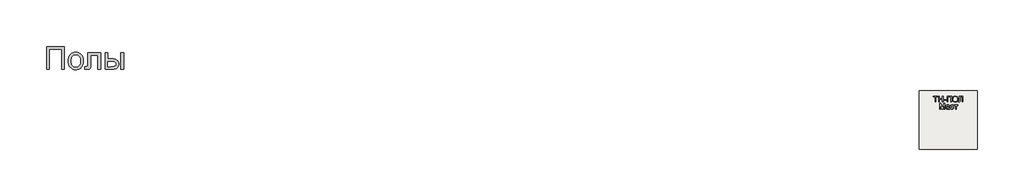
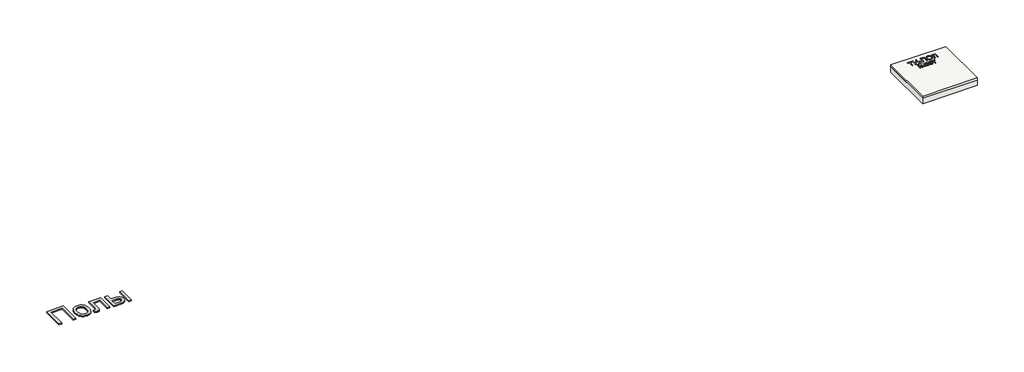
# One storey: 2 proxies, 2 slabs.
"""IFC4 building model written with IfcOpenShell, lengths in millimetres."""

from ifc_helpers import new_model, si_unit, frame, origin, origin_with_axes, place, context, project, spatial, polyline, outline, extrude, element, save

model = new_model("IFC4")

# Units and contexts
model_context = context("Model", 3, world=origin())
ifc_project = project(units=[si_unit("LENGTHUNIT", "METRE", prefix="MILLI")], contexts=[model_context])

# Site, building, storey
site = spatial("IfcSite", under=ifc_project)
building = spatial("IfcBuilding", under=site)
storey = spatial("IfcBuildingStorey", under=building, Elevation=0.0)

# Proxies
placement = place(None, origin())
element("IfcBuildingElementProxy", 1, Name="Generic Models", at=placement, inside=storey, context=model_context, shape_type="SweptSolid", body=[
    extrude(outline(polyline([(-2221.4493901, -14787.7817103), (-1609.328178, -14787.7817103), (-1609.328178, -15571.2968619), (-1707.2675719, -15571.2968619), (-1707.2675719, -14885.7211043), (-2123.5099961, -14885.7211043), (-2123.5099961, -15571.2968619), (-2221.4493901, -15571.2968619), (-2221.4493901, -14787.7817103)])), origin_with_axes(), (0.0, 0.0, 1.0), 40.0),
    extrude(outline(polyline([(-1474.6615113, -15283.5998922), (-1469.3652282, -15209.0813079), (-1462.7448742, -15175.6866287), (-1453.4763787, -15144.8683581), (-1441.5597416, -15116.6264961), (-1426.994963, -15090.9610427), (-1409.7820428, -15067.871998), (-1389.920981, -15047.3593619), (-1352.5959336, -15019.491109), (-1311.3973068, -14999.5852141), (-1266.3251003, -14987.6416772), (-1217.3793143, -14983.6604982), (-1163.3464663, -14988.5084504), (-1114.4903465, -15003.0523069), (-1070.810955, -15027.2920678), (-1032.3082916, -15061.2277331), (-1000.8832798, -15103.7115754), (-978.4368427, -15153.5958675), (-964.9689805, -15210.8806095), (-960.4796931, -15275.5658013), (-962.4643049, -15327.9906355), (-968.4181401, -15374.5094566), (-978.3411988, -15415.1222643), (-992.233481, -15449.8290588), (-1009.921632, -15479.8074561), (-1031.2322973, -15506.2350721), (-1056.1654767, -15529.1119068), (-1084.7211704, -15548.4379603), (-1115.7875175, -15563.7947904), (-1148.2526571, -15574.7639547), (-1182.1165894, -15581.3454532), (-1217.3793143, -15583.5392861), (-1272.2012248, -15578.7092672), (-1321.5116533, -15564.2192103), (-1365.3105998, -15540.0691156), (-1403.5980643, -15506.2589831), (-1434.6883224, -15463.3626763), (-1456.8956496, -15411.9540588), (-1470.2200459, -15352.0331308), (-1474.6615113, -15283.5998922)]), holes=[polyline([(-1376.7221174, -15283.4086043), (-1373.8886657, -15330.9137534), (-1365.3883105, -15372.0466251), (-1351.221052, -15406.8072193), (-1331.3868901, -15435.1955361), (-1307.2607064, -15457.2474419), (-1280.2173825, -15472.9988031), (-1250.2569185, -15482.4496199), (-1217.3793143, -15485.5998922), (-1184.6690871, -15482.4316867), (-1154.828178, -15472.9270702), (-1127.8565871, -15457.0860427), (-1103.7543143, -15434.9086043), (-1083.9201524, -15406.2393335), (-1069.7528939, -15370.9228088), (-1061.2525388, -15328.9590304), (-1058.4190871, -15280.3479982), (-1061.270472, -15234.3492411), (-1069.8246268, -15194.2923638), (-1084.0815515, -15160.1773661), (-1104.0412461, -15132.0042482), (-1128.2331851, -15109.9523424), (-1155.1868427, -15094.2009812), (-1184.9022192, -15084.7501644), (-1217.3793143, -15081.5998922), (-1250.2569185, -15084.7382089), (-1280.2173825, -15094.1531592), (-1307.2607064, -15109.844743), (-1331.3868901, -15131.8129603), (-1351.221052, -15160.1175887), (-1365.3883105, -15194.8184054), (-1373.8886657, -15235.9154106), (-1376.7221174, -15283.4086043)])]), origin_with_axes(), (0.0, 0.0, 1.0), 40.0),
    extrude(outline(polyline([(-801.328178, -14995.9029225), (-360.6009052, -14995.9029225), (-360.6009052, -15570.7229982), (-458.5402992, -15570.7229982), (-458.5402992, -15093.8423164), (-703.388784, -15093.8423164), (-703.388784, -15368.3404225), (-705.038642, -15448.011824), (-709.9882158, -15494.9729982), (-722.350195, -15523.6422691), (-746.2372689, -15548.4379603), (-762.7119374, -15558.4387298), (-782.4863219, -15565.5821365), (-805.5604223, -15569.8681805), (-831.9342386, -15571.2968619), (-911.5099961, -15566.323377), (-911.5099961, -15473.3574679), (-867.7050719, -15473.3574679), (-841.1399677, -15471.8510759), (-823.421928, -15467.3318997), (-812.351142, -15459.5369187), (-805.7277992, -15448.2031119), (-802.4280833, -15420.2989925), (-801.328178, -15362.793074), (-801.328178, -14995.9029225)])), origin_with_axes(), (0.0, 0.0, 1.0), 40.0),
    extrude(outline(polyline([(-213.6918143, -14995.9029225), (-115.7524204, -14995.9029225), (-115.7524204, -15204.0241346), (5.3328069, -15204.0241346), (61.0513793, -15207.0907184), (109.9911876, -15216.2904698), (152.1522316, -15231.6233888), (187.5345114, -15253.0894755), (215.5282969, -15279.9474892), (235.523858, -15311.4561895), (247.5211947, -15347.6155763), (251.5203069, -15388.4256497), (248.1667913, -15424.8361019), (238.1062444, -15458.5087463), (221.3386663, -15489.443583), (197.8640569, -15517.6406119), (167.0248642, -15541.1152212), (128.1635361, -15557.8827994), (81.2800725, -15567.9433462), (26.3744736, -15571.2968619), (-213.6918143, -15571.2968619), (-213.6918143, -14995.9029225)]), holes=[polyline([(-115.7524204, -15473.3574679), (-15.1349961, -15473.3574679), (62.8626364, -15468.2166062), (92.0699044, -15461.790529), (114.7494736, -15452.794021), (131.7382283, -15441.0716606), (143.8730531, -15426.4680266), (151.153948, -15408.983119), (153.5809129, -15388.6169376), (151.7816113, -15372.1542245), (146.3837065, -15356.6240399), (137.3871985, -15342.0263836), (124.7920872, -15328.3612558), (106.0518528, -15316.8122501), (78.6199754, -15308.5629603), (42.4964551, -15303.6133865), (-2.3187083, -15301.9635285), (-115.7524204, -15301.9635285), (-115.7524204, -15473.3574679)])]), origin_with_axes(), (0.0, 0.0, 1.0), 40.0),
    extrude(outline(polyline([(324.9748523, -14995.9029225), (422.9142463, -14995.9029225), (422.9142463, -15571.2968619), (324.9748523, -15571.2968619), (324.9748523, -14995.9029225)])), origin_with_axes(), (0.0, 0.0, 1.0), 40.0),
])
element("IfcBuildingElementProxy", 2, Name="Generic Models", at=placement, inside=storey, context=model_context, shape_type="SweptSolid", body=[
    extrude(outline(polyline([(28256.8186644, -16688.792124), (28256.8186644, -16516.4844317), (28192.2032798, -16516.4844317), (28192.2032798, -16491.8690471), (28346.0494336, -16491.8690471), (28346.0494336, -16516.4844317), (28281.434049, -16516.4844317), (28281.434049, -16688.792124), (28256.8186644, -16688.792124)])), origin_with_axes(), (0.0, 0.0, 1.0), 20.0),
    extrude(outline(polyline([(28373.7417413, -16688.792124), (28373.7417413, -16491.8690471), (28398.3571259, -16491.8690471), (28398.3571259, -16571.8690471), (28502.9725106, -16571.8690471), (28502.9725106, -16491.8690471), (28527.5878952, -16491.8690471), (28527.5878952, -16688.792124), (28502.9725106, -16688.792124), (28502.9725106, -16596.4844317), (28398.3571259, -16596.4844317), (28398.3571259, -16688.792124), (28373.7417413, -16688.792124)])), origin_with_axes(), (0.0, 0.0, 1.0), 20.0),
    extrude(outline(polyline([(28555.2802029, -16630.3305856), (28555.2802029, -16605.7152009), (28632.2032798, -16605.7152009), (28632.2032798, -16630.3305856), (28555.2802029, -16630.3305856)])), origin_with_axes(), (0.0, 0.0, 1.0), 20.0),
    extrude(outline(polyline([(28662.9725106, -16491.8690471), (28816.8186644, -16491.8690471), (28816.8186644, -16688.792124), (28792.2032798, -16688.792124), (28792.2032798, -16516.4844317), (28687.5878952, -16516.4844317), (28687.5878952, -16688.792124), (28662.9725106, -16688.792124), (28662.9725106, -16491.8690471)])), origin_with_axes(), (0.0, 0.0, 1.0), 20.0),
    extrude(outline(polyline([(28850.6648182, -16592.9267394), (28852.3054432, -16569.8287827), (28857.2273182, -16549.3810663), (28865.4304432, -16531.5835904), (28876.9148182, -16516.4363548), (28890.9923423, -16504.3420038), (28906.9749144, -16495.7031817), (28924.8625346, -16490.5198884), (28944.6552029, -16488.792124), (28970.4845298, -16492.0373163), (28993.6455875, -16501.7728932), (29012.8763567, -16517.3137586), (29026.9148182, -16537.9748163), (29035.496549, -16562.7584702), (29038.3571259, -16590.667124), (29035.3463086, -16618.948374), (29026.3138567, -16644.0805856), (29011.7585682, -16664.7777009), (28992.1792413, -16679.7536625), (28969.2165009, -16688.8402009), (28944.5109721, -16691.8690471), (28918.2850106, -16688.5216913), (28894.9917413, -16678.479624), (28875.809049, -16662.6502971), (28861.9148182, -16641.9411625), (28853.4773182, -16618.1130375), (28850.6648182, -16592.9267394)]), holes=[polyline([(28875.2802029, -16593.167124), (28880.2020779, -16623.9724125), (28894.9677029, -16647.4459702), (28917.1612125, -16662.3017394), (28944.3667413, -16667.2536625), (28971.9689048, -16662.2536625), (28994.1984721, -16647.2536625), (29002.7486524, -16636.2049846), (29008.855924, -16623.0589509), (29013.7417413, -16590.4748163), (29011.6503952, -16568.6839509), (29005.3763567, -16549.8498163), (28995.0818856, -16534.4471721), (28980.9292413, -16522.9507779), (28963.855924, -16515.7933259), (28944.7994336, -16513.4075086), (28918.3210682, -16518.0048644), (28895.809049, -16531.7969317), (28886.8276788, -16542.5286024), (28880.4124144, -16556.3341913), (28875.2802029, -16593.167124)])]), origin_with_axes(), (0.0, 0.0, 1.0), 20.0),
    extrude(outline(polyline([(29087.5878952, -16491.8690471), (29207.5878952, -16491.8690471), (29207.5878952, -16688.792124), (29182.9725106, -16688.792124), (29182.9725106, -16516.4844317), (29112.2032798, -16516.4844317), (29112.2032798, -16616.9652009), (29109.3427029, -16661.7969317), (29104.9136163, -16674.4652009), (29097.3475106, -16683.9603932), (29086.9869336, -16689.8918836), (29074.1744336, -16691.8690471), (29053.7417413, -16688.792124), (29056.8186644, -16664.1767394), (29068.5975106, -16667.2536625), (29076.9208279, -16665.6010182), (29082.8523182, -16660.6430856), (29086.4040009, -16649.5553452), (29087.5878952, -16629.5132779), (29087.5878952, -16491.8690471)])), origin_with_axes(), (0.0, 0.0, 1.0), 20.0),
    extrude(outline(polyline([(28409.1263567, -16931.8690471), (28409.1263567, -16734.9459702), (28451.4821259, -16734.9459702), (28491.7705875, -16873.7440471), (28499.8955875, -16902.7344317), (28508.6936644, -16871.3402009), (28548.309049, -16734.9459702), (28590.6648182, -16734.9459702), (28590.6648182, -16931.8690471), (28566.0494336, -16931.8690471), (28566.0494336, -16759.5613548), (28516.5782798, -16931.8690471), (28483.2128952, -16931.8690471), (28433.7417413, -16759.5613548), (28433.7417413, -16931.8690471), (28409.1263567, -16931.8690471)])), origin_with_axes(), (0.0, 0.0, 1.0), 20.0),
    extrude(outline(polyline([(28722.9725106, -16913.4075086), (28699.1023182, -16930.0902009), (28672.7321259, -16934.9459702), (28652.1612125, -16932.0252971), (28636.9869336, -16923.2632779), (28627.6299625, -16909.9579894), (28624.5109721, -16893.4075086), (28629.2225106, -16873.9363548), (28641.6023182, -16859.8017394), (28658.8378952, -16851.7248163), (28680.1359721, -16848.0228932), (28722.8282798, -16839.5613548), (28722.9725106, -16834.0805856), (28721.277799, -16823.0950086), (28716.1936644, -16815.9075086), (28704.8234721, -16810.5709702), (28688.9821259, -16808.792124), (28664.0782798, -16813.5277009), (28657.0951067, -16820.0962106), (28652.2032798, -16830.3305856), (28627.5878952, -16827.2536625), (28638.2369336, -16803.2152009), (28647.3114529, -16795.1262586), (28659.6792413, -16789.1286625), (28692.1552029, -16784.1767394), (28721.9869336, -16788.5517394), (28738.8378952, -16799.5373163), (28746.3859721, -16816.2440471), (28747.5878952, -16837.7825086), (28747.5878952, -16868.4075086), (28748.8378952, -16911.1719317), (28753.7417413, -16931.8690471), (28729.1263567, -16931.8690471), (28722.9725106, -16913.4075086)]), holes=[polyline([(28722.9725106, -16864.1767394), (28683.2609721, -16871.7248163), (28662.0830875, -16875.7152009), (28652.4917413, -16882.2055856), (28649.1263567, -16891.6767394), (28650.9592894, -16898.9964509), (28656.4580875, -16904.9940471), (28665.5025586, -16908.9964509), (28677.9725106, -16910.3305856), (28691.1936644, -16908.8582298), (28702.8763567, -16904.4411625), (28718.934049, -16890.1863548), (28722.8282798, -16871.1478932), (28722.9725106, -16864.1767394)])]), origin_with_axes(), (0.0, 0.0, 1.0), 20.0),
    extrude(outline(polyline([(28873.7417413, -16879.5613548), (28898.3571259, -16882.6382779), (28891.4941452, -16904.5313067), (28878.5975106, -16921.0757779), (28860.8811644, -16931.4784221), (28839.559049, -16934.9459702), (28813.3751548, -16930.1082298), (28792.9003952, -16915.5950086), (28779.6852509, -16892.0433259), (28775.2802029, -16860.0902009), (28777.1612125, -16838.1851529), (28782.8042413, -16819.2007779), (28792.2994336, -16803.870249), (28805.7369336, -16792.9267394), (28821.8126548, -16786.3642394), (28839.2225106, -16784.1767394), (28860.0217894, -16787.1815471), (28876.6503952, -16796.1959702), (28888.5794817, -16810.7392394), (28895.2802029, -16830.3305856), (28870.6648182, -16833.4075086), (28866.199674, -16822.6683259), (28859.246549, -16814.9700086), (28850.1900586, -16810.3365952), (28839.4148182, -16808.792124), (28823.5073663, -16811.8329894), (28810.8811644, -16820.9555856), (28802.6419817, -16836.6527009), (28799.8955875, -16859.417124), (28802.5818856, -16882.4880375), (28810.6407798, -16898.2392394), (28823.0386163, -16907.307749), (28838.7417413, -16910.3305856), (28851.4881356, -16908.4435663), (28861.9388567, -16902.7825086), (28869.5410202, -16893.2031817), (28873.7417413, -16879.5613548)])), origin_with_axes(), (0.0, 0.0, 1.0), 20.0),
    extrude(outline(polyline([(28907.5878952, -16787.2536625), (29024.5109721, -16787.2536625), (29024.5109721, -16811.8690471), (28978.3571259, -16811.8690471), (28978.3571259, -16931.8690471), (28953.7417413, -16931.8690471), (28953.7417413, -16811.8690471), (28907.5878952, -16811.8690471), (28907.5878952, -16787.2536625)])), origin_with_axes(), (0.0, 0.0, 1.0), 20.0),
])

# Slabs
element("IfcSlab", 3, at=placement, inside=storey, context=model_context, shape_type="SweptSolid", body=[
    extrude(outline(polyline([(29706.3955952, -16302.6148653), (29706.3955952, -18302.6148653), (27706.3955952, -18302.6148653), (27706.3955952, -16302.6148653), (29706.3955952, -16302.6148653)])), frame((0.0, 0.0, -288.0), z_axis=(0.0, 0.0, 1.0), x_axis=(1.0, 0.0, 0.0)), (0.0, 0.0, 1.0), 200.0),
])
element("IfcSlab", 4, at=placement, inside=storey, context=model_context, shape_type="SweptSolid", body=[
    extrude(outline(polyline([(29706.3955952, -16302.6148653), (29706.3955952, -18302.6148653), (27706.3955952, -18302.6148653), (27706.3955952, -16302.6148653), (29706.3955952, -16302.6148653)])), frame((0.0, 0.0, -88.0), z_axis=(0.0, 0.0, 1.0), x_axis=(1.0, 0.0, 0.0)), (0.0, 0.0, 1.0), 88.0),
])

save(model, "model.ifc")
